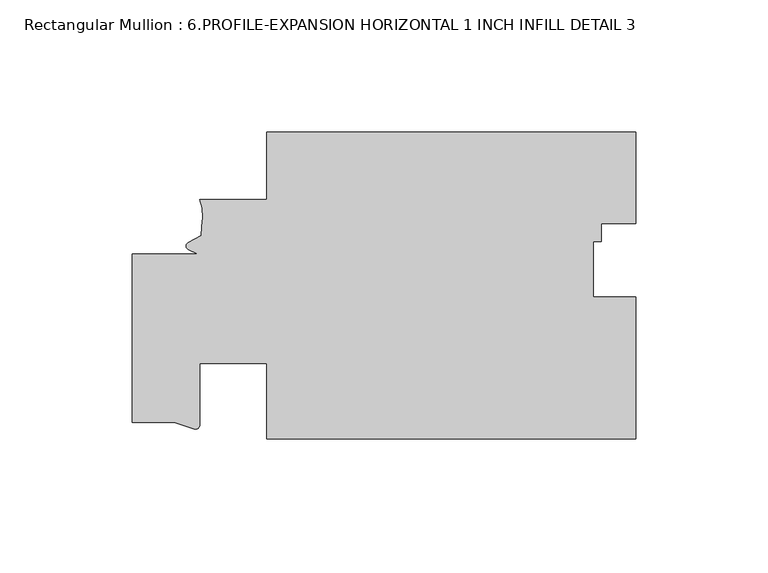
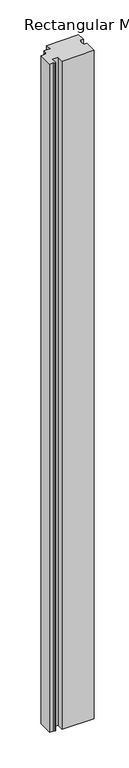
"""IFC4 building model written with IfcOpenShell, lengths in millimetres: member geometry, Rectangular Mullion : 6.PROFILE-EXPANSION HORIZONTAL 1 INCH INFILL DETAIL 3."""

from ifc_helpers import new_model, si_unit, point, frame, frame_2d, origin, place, context, project, spatial, polyline, circle_curve, trimmed, segment, composite_curve, outline, extrude, source, transform, mapped, element, save


def rectangular_mullion_6_profile_expansion_horizontal_1_inch_10d7fb02(model_context):
    return source(origin(), model_context, "Body", "SweptSolid", [
        extrude(outline(composite_curve([segment(polyline([(-139.1915475, -67.5173723), (-139.1921293, -38.9424855), (-164.592, -38.9424855), (-164.592, -62.2002386)]), True, "CONTINUOUS"), segment(trimmed(circle_curve(frame_2d((-166.293412, -62.1186096)), 1.703369), [point((-164.592, -62.2002386))], [point((-166.1804292, -63.8182275))], False, "CARTESIAN"), True, "CONTINUOUS"), segment(polyline([(-166.1804292, -63.8182275), (-174.1170977, -61.1673723), (-189.992, -61.1673723), (-189.992, 2.3326277), (-165.3994238, 2.3326277), (-168.8755101, 4.1111733)]), True, "CONTINUOUS"), segment(trimmed(circle_curve(frame_2d((-168.3355965, 5.3996228)), 1.397), [point((-168.8755101, 4.1111733))], [point((-168.8755101, 6.6880724))], False, "CARTESIAN"), True, "CONTINUOUS"), segment(polyline([(-168.8755101, 6.6880724), (-164.0473677, 9.4477998), (-163.8364338, 12.8552024)]), True, "CONTINUOUS"), segment(trimmed(circle_curve(frame_2d((-180.1250799, 16.7386102)), 16.7451739), [point((-163.8364338, 12.8552024))], [point((-164.592, 22.9935505))], True, "CARTESIAN"), True, "CONTINUOUS"), segment(polyline([(-164.592, 22.9935505), (-139.1920646, 22.9935505), (-139.1915475, 48.3934373), (0.0, 48.3934373), (0.0, 13.9023263), (-13.0437992, 13.9023263), (-13.0437992, 7.0443266), (-15.8984045, 7.0443266), (-15.8984045, -13.9023263), (0.0, -13.9023263), (0.0, -67.5173723), (-139.1915475, -67.5173723)]), True, "CONTINUOUS")], self_intersect=False)), frame((0.0, 0.0, -3048.0), z_axis=(0.0, 0.0, 1.0), x_axis=(1.0, 0.0, 0.0)), (0.0, 0.0, 1.0), 3048.0),
    ])


if __name__ == "__main__":
    model = new_model("IFC4")
    model_context = context("Model", 3, world=origin())
    ifc_project = project(units=[si_unit("LENGTHUNIT", "METRE", prefix="MILLI")], contexts=[model_context])
    site = spatial("IfcSite", under=ifc_project)
    building = spatial("IfcBuilding", under=site)
    placement = place(None, origin())
    rectangular_mullion_6_profile_expansion_horizontal_1_inch_shape = rectangular_mullion_6_profile_expansion_horizontal_1_inch_10d7fb02(model_context)
    element("IfcMember", 1, ObjectType="Rectangular Mullion : 6.PROFILE-EXPANSION HORIZONTAL 1 INCH INFILL DETAIL 3", at=placement, inside=building, context=model_context, shape_type="MappedRepresentation", body=[
        mapped(rectangular_mullion_6_profile_expansion_horizontal_1_inch_shape, transform((0.0, 0.0, 0.0), x_axis=(1.0, 0.0, 0.0), y_axis=(0.0, 1.0, 0.0), z_axis=(0.0, 0.0, 1.0))),
    ])
    save(model, "model.ifc")
